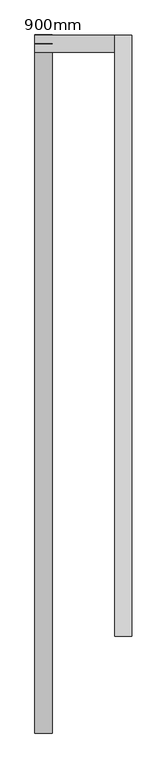
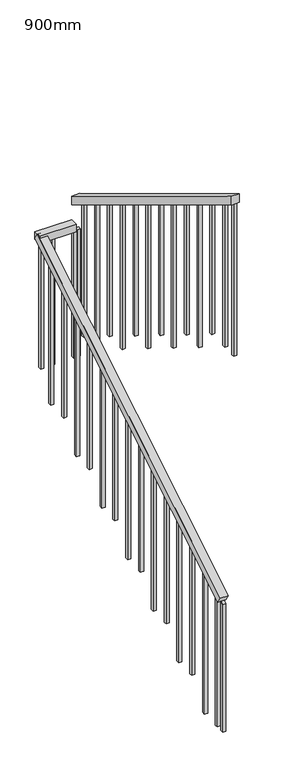
"""IFC4 building model written with IfcOpenShell, lengths in millimetres: railing geometry, 900mm."""

from ifc_helpers import new_model, si_unit, frame, origin, place, context, project, spatial, polyline, outline, extrude, source, transform, mapped, element, save


def railing_900mm_256016ff(model_context):
    return source(origin(), model_context, "Body", "SweptSolid", [
        extrude(outline(polyline([(0.0, -50.0), (0.0, 0.0), (2341.0793729, 0.0), (2341.0793729, -50.0), (0.0, -50.0)])), frame((-11277.9099616, -169.1241996, 1030.86362), z_axis=(0.0, -0.5190768045017743, 0.8547276004834681), x_axis=(0.0, 0.8547276004834681, 0.5190768045017743)), (0.0, 0.0, 1.0), 50.0),
        extrude(outline(polyline([(-11277.9099616, 1781.3071151), (-11277.9099616, 1831.3071151), (-11046.3099616, 1831.3071151), (-11046.3099616, 1781.3071151), (-11277.9099616, 1781.3071151)])), frame((0.0, 0.0, 2238.8), z_axis=(0.0, 0.0, 1.0), x_axis=(1.0, 0.0, 0.0)), (0.0, 0.0, 1.0), 50.0),
        extrude(outline(polyline([(1831.3071151, 2447.0226364), (1831.3071151, 2388.5735374), (85.4145376, 3445.550901), (85.4145376, 3504.0), (1831.3071151, 2447.0226364)])), frame((-11046.3099616, 0.0, 0.0), z_axis=(1.0, 0.0, 0.0), x_axis=(0.0, 1.0, 0.0)), (0.0, 0.0, 1.0), 50.0),
        extrude(outline(polyline([(206.3071151, 3380.8106644), (206.3071151, 2430.4), (186.3071151, 2430.4), (186.3071151, 3392.9188247), (206.3071151, 3380.8106644)])), frame((-11031.3099616, 0.0, 0.0), z_axis=(1.0, 0.0, 0.0), x_axis=(0.0, 1.0, 0.0)), (0.0, 0.0, 1.0), 20.0),
        extrude(outline(polyline([(346.3071151, 3296.0535419), (346.3071151, 2430.4), (326.3071151, 2430.4), (326.3071151, 3308.1617023), (346.3071151, 3296.0535419)])), frame((-11031.3099616, 0.0, 0.0), z_axis=(1.0, 0.0, 0.0), x_axis=(0.0, 1.0, 0.0)), (0.0, 0.0, 1.0), 20.0),
        extrude(outline(polyline([(486.3071151, 3211.2964195), (486.3071151, 2256.8), (466.3071151, 2256.8), (466.3071151, 3223.4045799), (486.3071151, 3211.2964195)])), frame((-11031.3099616, 0.0, 0.0), z_axis=(1.0, 0.0, 0.0), x_axis=(0.0, 1.0, 0.0)), (0.0, 0.0, 1.0), 20.0),
        extrude(outline(polyline([(626.3071151, 3126.5392971), (626.3071151, 2256.8), (606.3071151, 2256.8), (606.3071151, 3138.6474575), (626.3071151, 3126.5392971)])), frame((-11031.3099616, 0.0, 0.0), z_axis=(1.0, 0.0, 0.0), x_axis=(0.0, 1.0, 0.0)), (0.0, 0.0, 1.0), 20.0),
        extrude(outline(polyline([(766.3071151, 3041.7821747), (766.3071151, 2083.2), (746.3071151, 2083.2), (746.3071151, 3053.8903351), (766.3071151, 3041.7821747)])), frame((-11031.3099616, 0.0, 0.0), z_axis=(1.0, 0.0, 0.0), x_axis=(0.0, 1.0, 0.0)), (0.0, 0.0, 1.0), 20.0),
        extrude(outline(polyline([(906.3071151, 2957.0250523), (906.3071151, 2083.2), (886.3071151, 2083.2), (886.3071151, 2969.1332126), (906.3071151, 2957.0250523)])), frame((-11031.3099616, 0.0, 0.0), z_axis=(1.0, 0.0, 0.0), x_axis=(0.0, 1.0, 0.0)), (0.0, 0.0, 1.0), 20.0),
        extrude(outline(polyline([(1046.3071151, 2872.2679299), (1046.3071151, 1909.6), (1026.3071151, 1909.6), (1026.3071151, 2884.3760902), (1046.3071151, 2872.2679299)])), frame((-11031.3099616, 0.0, 0.0), z_axis=(1.0, 0.0, 0.0), x_axis=(0.0, 1.0, 0.0)), (0.0, 0.0, 1.0), 20.0),
        extrude(outline(polyline([(1186.3071151, 2787.5108075), (1186.3071151, 1909.6), (1166.3071151, 1909.6), (1166.3071151, 2799.6189678), (1186.3071151, 2787.5108075)])), frame((-11031.3099616, 0.0, 0.0), z_axis=(1.0, 0.0, 0.0), x_axis=(0.0, 1.0, 0.0)), (0.0, 0.0, 1.0), 20.0),
        extrude(outline(polyline([(1326.3071151, 2702.7536851), (1326.3071151, 1736.0), (1306.3071151, 1736.0), (1306.3071151, 2714.8618454), (1326.3071151, 2702.7536851)])), frame((-11031.3099616, 0.0, 0.0), z_axis=(1.0, 0.0, 0.0), x_axis=(0.0, 1.0, 0.0)), (0.0, 0.0, 1.0), 20.0),
        extrude(outline(polyline([(1466.3071151, 2617.9965627), (1466.3071151, 1736.0), (1446.3071151, 1736.0), (1446.3071151, 2630.104723), (1466.3071151, 2617.9965627)])), frame((-11031.3099616, 0.0, 0.0), z_axis=(1.0, 0.0, 0.0), x_axis=(0.0, 1.0, 0.0)), (0.0, 0.0, 1.0), 20.0),
        extrude(outline(polyline([(1606.3071151, 2533.2394402), (1606.3071151, 1562.4), (1586.3071151, 1562.4), (1586.3071151, 2545.3476006), (1606.3071151, 2533.2394402)])), frame((-11031.3099616, 0.0, 0.0), z_axis=(1.0, 0.0, 0.0), x_axis=(0.0, 1.0, 0.0)), (0.0, 0.0, 1.0), 20.0),
        extrude(outline(polyline([(1746.3071151, 2448.4823178), (1746.3071151, 1562.4), (1726.3071151, 1562.4), (1726.3071151, 2460.5904782), (1746.3071151, 2448.4823178)])), frame((-11031.3099616, 0.0, 0.0), z_axis=(1.0, 0.0, 0.0), x_axis=(0.0, 1.0, 0.0)), (0.0, 0.0, 1.0), 20.0),
        extrude(outline(polyline([(-11052.9099616, 1796.3071151), (-11052.9099616, 1816.3071151), (-11032.9099616, 1816.3071151), (-11032.9099616, 1796.3071151), (-11052.9099616, 1796.3071151)])), frame((0.0, 0.0, 1388.8), z_axis=(0.0, 0.0, 1.0), x_axis=(1.0, 0.0, 0.0)), (0.0, 0.0, 1.0), 850.0),
        extrude(outline(polyline([(-11192.9099616, 1796.3071151), (-11192.9099616, 1816.3071151), (-11172.9099616, 1816.3071151), (-11172.9099616, 1796.3071151), (-11192.9099616, 1796.3071151)])), frame((0.0, 0.0, 1388.8), z_axis=(0.0, 0.0, 1.0), x_axis=(1.0, 0.0, 0.0)), (0.0, 0.0, 1.0), 850.0),
        extrude(outline(polyline([(1684.9219601, 1215.2), (1684.9219601, 2165.3256117), (1704.9219601, 2177.4716288), (1704.9219601, 1215.2), (1684.9219601, 1215.2)])), frame((-11262.9099616, 0.0, 0.0), z_axis=(1.0, 0.0, 0.0), x_axis=(0.0, 1.0, 0.0)), (0.0, 0.0, 1.0), 20.0),
        extrude(outline(polyline([(1544.9219601, 1215.2), (1544.9219601, 2080.3034916), (1564.9219601, 2092.4495088), (1564.9219601, 1215.2), (1544.9219601, 1215.2)])), frame((-11262.9099616, 0.0, 0.0), z_axis=(1.0, 0.0, 0.0), x_axis=(0.0, 1.0, 0.0)), (0.0, 0.0, 1.0), 20.0),
        extrude(outline(polyline([(1404.9219601, 1041.6), (1404.9219601, 1995.2813716), (1424.9219601, 2007.4273888), (1424.9219601, 1041.6), (1404.9219601, 1041.6)])), frame((-11262.9099616, 0.0, 0.0), z_axis=(1.0, 0.0, 0.0), x_axis=(0.0, 1.0, 0.0)), (0.0, 0.0, 1.0), 20.0),
        extrude(outline(polyline([(1264.9219601, 1041.6), (1264.9219601, 1910.2592516), (1284.9219601, 1922.4052688), (1284.9219601, 1041.6), (1264.9219601, 1041.6)])), frame((-11262.9099616, 0.0, 0.0), z_axis=(1.0, 0.0, 0.0), x_axis=(0.0, 1.0, 0.0)), (0.0, 0.0, 1.0), 20.0),
        extrude(outline(polyline([(1124.9219601, 868.0), (1124.9219601, 1825.2371316), (1144.9219601, 1837.3831487), (1144.9219601, 868.0), (1124.9219601, 868.0)])), frame((-11262.9099616, 0.0, 0.0), z_axis=(1.0, 0.0, 0.0), x_axis=(0.0, 1.0, 0.0)), (0.0, 0.0, 1.0), 20.0),
        extrude(outline(polyline([(984.9219601, 868.0), (984.9219601, 1740.2150116), (1004.9219601, 1752.3610287), (1004.9219601, 868.0), (984.9219601, 868.0)])), frame((-11262.9099616, 0.0, 0.0), z_axis=(1.0, 0.0, 0.0), x_axis=(0.0, 1.0, 0.0)), (0.0, 0.0, 1.0), 20.0),
        extrude(outline(polyline([(844.9219601, 694.4), (844.9219601, 1655.1928916), (864.9219601, 1667.3389087), (864.9219601, 694.4), (844.9219601, 694.4)])), frame((-11262.9099616, 0.0, 0.0), z_axis=(1.0, 0.0, 0.0), x_axis=(0.0, 1.0, 0.0)), (0.0, 0.0, 1.0), 20.0),
        extrude(outline(polyline([(704.9219601, 694.4), (704.9219601, 1570.1707715), (724.9219601, 1582.3167887), (724.9219601, 694.4), (704.9219601, 694.4)])), frame((-11262.9099616, 0.0, 0.0), z_axis=(1.0, 0.0, 0.0), x_axis=(0.0, 1.0, 0.0)), (0.0, 0.0, 1.0), 20.0),
        extrude(outline(polyline([(564.9219601, 520.8), (564.9219601, 1485.1486515), (584.9219601, 1497.2946687), (584.9219601, 520.8), (564.9219601, 520.8)])), frame((-11262.9099616, 0.0, 0.0), z_axis=(1.0, 0.0, 0.0), x_axis=(0.0, 1.0, 0.0)), (0.0, 0.0, 1.0), 20.0),
        extrude(outline(polyline([(424.9219601, 520.8), (424.9219601, 1400.1265315), (444.9219601, 1412.2725486), (444.9219601, 520.8), (424.9219601, 520.8)])), frame((-11262.9099616, 0.0, 0.0), z_axis=(1.0, 0.0, 0.0), x_axis=(0.0, 1.0, 0.0)), (0.0, 0.0, 1.0), 20.0),
        extrude(outline(polyline([(284.9219601, 347.2), (284.9219601, 1315.1044115), (304.9219601, 1327.2504286), (304.9219601, 347.2), (284.9219601, 347.2)])), frame((-11262.9099616, 0.0, 0.0), z_axis=(1.0, 0.0, 0.0), x_axis=(0.0, 1.0, 0.0)), (0.0, 0.0, 1.0), 20.0),
        extrude(outline(polyline([(144.9219601, 347.2), (144.9219601, 1230.0822915), (164.9219601, 1242.2283086), (164.9219601, 347.2), (144.9219601, 347.2)])), frame((-11262.9099616, 0.0, 0.0), z_axis=(1.0, 0.0, 0.0), x_axis=(0.0, 1.0, 0.0)), (0.0, 0.0, 1.0), 20.0),
        extrude(outline(polyline([(4.9219601, 173.6), (4.9219601, 1145.0601715), (24.9219601, 1157.2061886), (24.9219601, 173.6), (4.9219601, 173.6)])), frame((-11262.9099616, 0.0, 0.0), z_axis=(1.0, 0.0, 0.0), x_axis=(0.0, 1.0, 0.0)), (0.0, 0.0, 1.0), 20.0),
        extrude(outline(polyline([(-135.0780399, 173.6), (-135.0780399, 1060.0380514), (-115.0780399, 1072.1840686), (-115.0780399, 173.6), (-135.0780399, 173.6)])), frame((-11262.9099616, 0.0, 0.0), z_axis=(1.0, 0.0, 0.0), x_axis=(0.0, 1.0, 0.0)), (0.0, 0.0, 1.0), 20.0),
        extrude(outline(polyline([(-11031.3099616, 1796.3071151), (-11031.3099616, 1816.3071151), (-11011.3099616, 1816.3071151), (-11011.3099616, 1796.3071151), (-11031.3099616, 1796.3071151)])), frame((0.0, 0.0, 1388.8), z_axis=(0.0, 0.0, 1.0), x_axis=(1.0, 0.0, 0.0)), (0.0, 0.0, 1.0), 850.0),
        extrude(outline(polyline([(-11242.9099616, 1796.3071151), (-11262.9099616, 1796.3071151), (-11262.9099616, 1816.3071151), (-11242.9099616, 1816.3071151), (-11242.9099616, 1796.3071151)])), frame((0.0, 0.0, 1388.8), z_axis=(0.0, 0.0, 1.0), x_axis=(1.0, 0.0, 0.0)), (0.0, 0.0, 1.0), 850.0),
        extrude(outline(polyline([(105.4145376, 3441.8918397), (105.4145376, 2430.4), (85.4145376, 2430.4), (85.4145376, 3454.0), (105.4145376, 3441.8918397)])), frame((-11031.3099616, 0.0, 0.0), z_axis=(1.0, 0.0, 0.0), x_axis=(0.0, 1.0, 0.0)), (0.0, 0.0, 1.0), 20.0),
        extrude(outline(polyline([(-195.0780399, 173.6), (-195.0780399, 1023.6), (-175.0780399, 1035.7460171), (-175.0780399, 173.6), (-195.0780399, 173.6)])), frame((-11262.9099616, 0.0, 0.0), z_axis=(1.0, 0.0, 0.0), x_axis=(0.0, 1.0, 0.0)), (0.0, 0.0, 1.0), 20.0),
    ])


if __name__ == "__main__":
    model = new_model("IFC4")
    model_context = context("Model", 3, world=origin())
    ifc_project = project(units=[si_unit("LENGTHUNIT", "METRE", prefix="MILLI")], contexts=[model_context])
    site = spatial("IfcSite", under=ifc_project)
    building = spatial("IfcBuilding", under=site)
    placement = place(None, origin())
    railing_900mm_shape = railing_900mm_256016ff(model_context)
    element("IfcRailing", 1, ObjectType="900mm", at=placement, inside=building, context=model_context, shape_type="MappedRepresentation", body=[
        mapped(railing_900mm_shape, transform((0.0, 0.0, 0.0), x_axis=(1.0, 0.0, 0.0), y_axis=(0.0, 1.0, 0.0), z_axis=(0.0, 0.0, 1.0))),
    ])
    save(model, "model.ifc")
